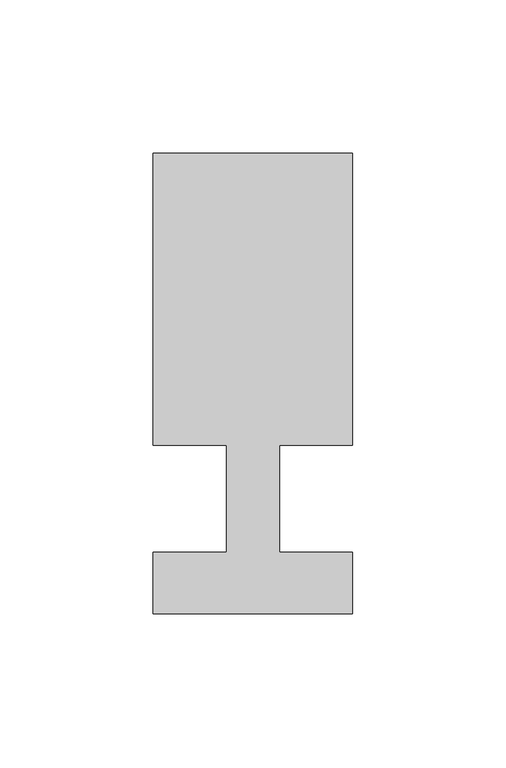
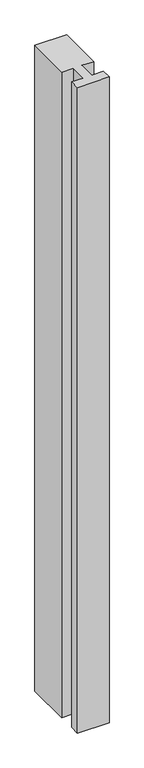
"""IFC4 building model written with IfcOpenShell, lengths in millimetres: member geometry."""

from ifc_helpers import new_model, si_unit, frame, origin, place, context, project, spatial, polyline, outline, extrude, source, transform, mapped, element, save


def member_182693ad(model_context):
    return source(origin(), model_context, "Body", "SweptSolid", [
        extrude(outline(polyline([(-65.0, -37.0), (-65.0, -17.0), (-41.1875, -17.0), (-41.1875, 18.0), (-65.0, 18.0), (-65.0, 113.0), (0.0, 113.0), (0.0, 18.0), (-23.8125, 18.0), (-23.8125, -17.0), (0.0, -17.0), (0.0, -37.0), (-65.0, -37.0)])), frame((0.0, 0.0, -1395.525), z_axis=(0.0, 0.0, 1.0), x_axis=(1.0, 0.0, 0.0)), (0.0, 0.0, 1.0), 1395.525),
    ])


if __name__ == "__main__":
    model = new_model("IFC4")
    model_context = context("Model", 3, world=origin())
    ifc_project = project(units=[si_unit("LENGTHUNIT", "METRE", prefix="MILLI")], contexts=[model_context])
    site = spatial("IfcSite", under=ifc_project)
    building = spatial("IfcBuilding", under=site)
    placement = place(None, origin())
    member_shape = member_182693ad(model_context)
    element("IfcMember", 1, at=placement, inside=building, context=model_context, shape_type="MappedRepresentation", body=[
        mapped(member_shape, transform((0.0, 0.0, 0.0), x_axis=(1.0, 0.0, 0.0), y_axis=(0.0, 1.0, 0.0), z_axis=(0.0, 0.0, 1.0))),
    ])
    save(model, "model.ifc")
